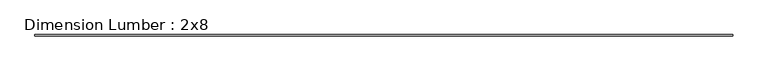
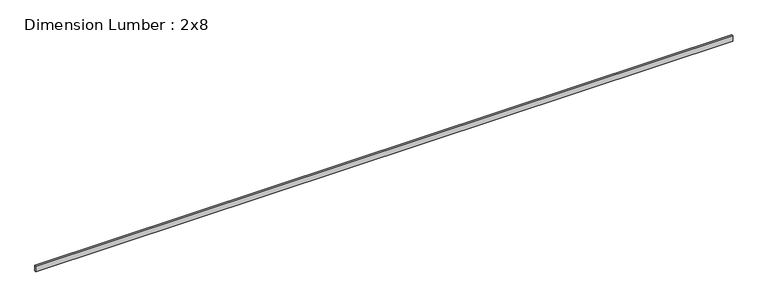
"""IFC4 building model written with IfcOpenShell, lengths in millimetres: beam geometry, Dimension Lumber : 2x8."""

from ifc_helpers import new_model, si_unit, frame, origin, place, context, project, spatial, polyline, outline, extrude, source, transform, mapped, element, save


def dimension_lumber_2x8_92f4b5c5(model_context):
    return source(origin(), model_context, "Body", "SweptSolid", [
        extrude(outline(polyline([(10912.2195744, 19.05), (10912.2195744, -19.05), (-10912.2195744, -19.05), (-10912.2195744, 19.05), (10912.2195744, 19.05)])), frame((0.0, 0.0, -92.075), z_axis=(0.0, 0.0, 1.0), x_axis=(1.0, 0.0, 0.0)), (0.0, 0.0, 1.0), 184.15),
    ])


if __name__ == "__main__":
    model = new_model("IFC4")
    model_context = context("Model", 3, world=origin())
    ifc_project = project(units=[si_unit("LENGTHUNIT", "METRE", prefix="MILLI")], contexts=[model_context])
    site = spatial("IfcSite", under=ifc_project)
    building = spatial("IfcBuilding", under=site)
    placement = place(None, origin())
    dimension_lumber_2x8_shape = dimension_lumber_2x8_92f4b5c5(model_context)
    element("IfcBeam", 1, ObjectType="Dimension Lumber : 2x8", at=placement, inside=building, context=model_context, shape_type="MappedRepresentation", body=[
        mapped(dimension_lumber_2x8_shape, transform((0.0, 0.0, 0.0), x_axis=(1.0, 0.0, 0.0), y_axis=(0.0, 1.0, 0.0), z_axis=(0.0, 0.0, 1.0))),
    ])
    save(model, "model.ifc")
